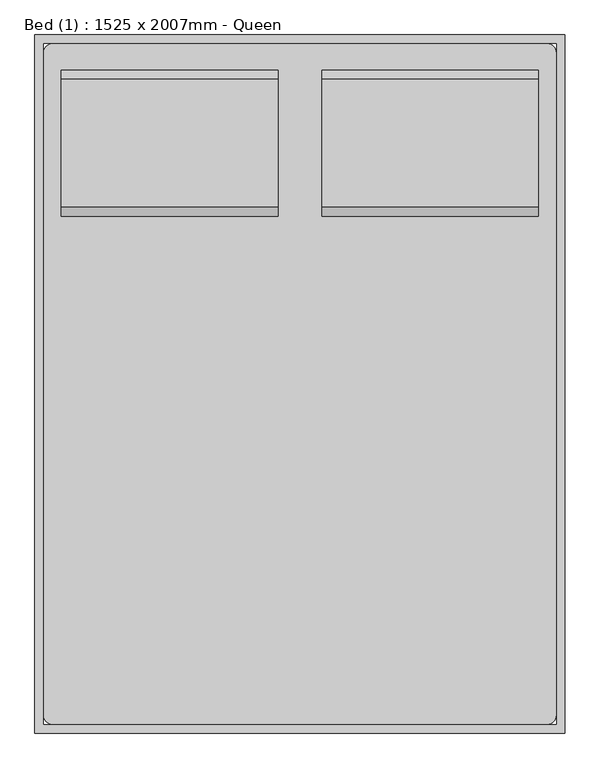
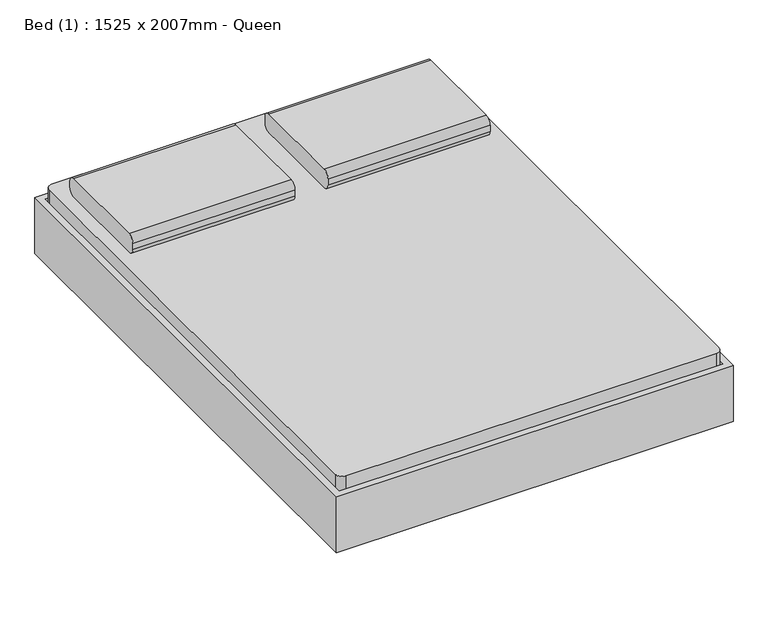
"""IFC4 building model written with IfcOpenShell, lengths in millimetres: furniture geometry, Bed (1) : 1525 x 2007mm - Queen."""

from ifc_helpers import new_model, si_unit, point, frame, frame_2d, origin, place, context, project, spatial, polyline, circle_curve, trimmed, segment, composite_curve, outline, extrude, source, transform, mapped, element, save
from ifc_brep_helpers import plane_surface, cylinder_surface, revolved_surface, advanced_brep


def bed_1_1525_x_2007mm_queen_8e9cca28(model_context):
    return source(origin(), model_context, "Body", "SolidModel", [
        extrude(outline(composite_curve([segment(polyline([(642.0704918, 406.4), (273.7704918, 406.4)]), True, "CONTINUOUS"), segment(trimmed(circle_curve(frame_2d((273.7704918, 431.8)), 25.4), [point((273.7704918, 406.4))], [point((248.3704918, 431.8))], False, "CARTESIAN"), True, "CONTINUOUS"), segment(polyline([(248.3704918, 431.8), (248.3704918, 457.2)]), True, "CONTINUOUS"), segment(trimmed(circle_curve(frame_2d((273.7704918, 457.2)), 25.4), [point((248.3704918, 457.2))], [point((273.7704918, 482.6))], False, "CARTESIAN"), True, "CONTINUOUS"), segment(polyline([(273.7704918, 482.6), (642.0704918, 482.6)]), True, "CONTINUOUS"), segment(trimmed(circle_curve(frame_2d((642.0704918, 457.2)), 25.4), [point((642.0704918, 482.6))], [point((667.4704918, 457.2))], False, "CARTESIAN"), True, "CONTINUOUS"), segment(polyline([(667.4704918, 457.2), (667.4704918, 431.8)]), True, "CONTINUOUS"), segment(trimmed(circle_curve(frame_2d((642.0704918, 431.8)), 25.4), [point((667.4704918, 431.8))], [point((642.0704918, 406.4))], False, "CARTESIAN"), True, "CONTINUOUS")], self_intersect=False)), frame((402.652459, 0.0, 0.0), z_axis=(1.0, 0.0, 0.0), x_axis=(0.0, 1.0, 0.0)), (0.0, 0.0, 1.0), 622.8),
        extrude(outline(composite_curve([segment(polyline([(642.0704918, 406.4), (273.7704918, 406.4)]), True, "CONTINUOUS"), segment(trimmed(circle_curve(frame_2d((273.7704918, 431.8)), 25.4), [point((273.7704918, 406.4))], [point((248.3704918, 431.8))], False, "CARTESIAN"), True, "CONTINUOUS"), segment(polyline([(248.3704918, 431.8), (248.3704918, 457.2)]), True, "CONTINUOUS"), segment(trimmed(circle_curve(frame_2d((273.7704918, 457.2)), 25.4), [point((248.3704918, 457.2))], [point((273.7704918, 482.6))], False, "CARTESIAN"), True, "CONTINUOUS"), segment(polyline([(273.7704918, 482.6), (642.0704918, 482.6)]), True, "CONTINUOUS"), segment(trimmed(circle_curve(frame_2d((642.0704918, 457.2)), 25.4), [point((642.0704918, 482.6))], [point((667.4704918, 457.2))], False, "CARTESIAN"), True, "CONTINUOUS"), segment(polyline([(667.4704918, 457.2), (667.4704918, 431.8)]), True, "CONTINUOUS"), segment(trimmed(circle_curve(frame_2d((642.0704918, 431.8)), 25.4), [point((667.4704918, 431.8))], [point((642.0704918, 406.4))], False, "CARTESIAN"), True, "CONTINUOUS")], self_intersect=False)), frame((-347.147541, 0.0, 0.0), z_axis=(1.0, 0.0, 0.0), x_axis=(0.0, 1.0, 0.0)), (0.0, 0.0, 1.0), 622.8),
        advanced_brep(
        [(-397.6231784, 515.0704918, 177.8), (-397.6231784, 438.8704918, 177.8), (-397.6231784, 438.8704918, 196.85), (-397.6231784, 515.0704918, 196.85), (-346.8231784, 515.0704918, 177.8), (-346.8231784, 438.8704918, 177.8), (-334.6869899, 438.8704918, 196.85), (-334.6869899, 515.0704918, 196.85), (-270.7523099, 515.0704918, 14.6654962), (-270.7523099, 438.8704918, 14.6654962), (-253.4871466, 438.8704918, 22.716374), (-253.4871466, 515.0704918, 22.716374), (-247.7320921, 438.8704918, 0.0), (-247.7320921, 515.0704918, 0.0), (-247.7320921, 438.8704918, 19.05), (-247.7320921, 515.0704918, 19.05), (-169.1195862, 515.0704918, 0.0), (-169.1195862, 438.8704918, 0.0), (-169.1195862, 438.8704918, 19.05), (-169.1195862, 515.0704918, 19.05), (-156.4195862, 438.8704918, 3.4029547), (-156.4195862, 515.0704918, 3.4029547), (-165.9445862, 438.8704918, 19.9007387), (-165.9445862, 515.0704918, 19.9007387), (-96.322541, 515.0704918, 38.1), (-96.322541, 438.8704918, 38.1), (-101.4269731, 438.8704918, 57.15), (-101.4269731, 515.0704918, 57.15), (774.9518216, 515.0704918, 38.1), (774.9518216, 438.8704918, 38.1), (780.0562537, 438.8704918, 57.15), (780.0562537, 515.0704918, 57.15), (835.0488669, 515.0704918, 3.4029547), (835.0488669, 438.8704918, 3.4029547), (844.5738669, 438.8704918, 19.9007387), (844.5738669, 515.0704918, 19.9007387), (847.7488669, 438.8704918, 0.0), (847.7488669, 515.0704918, 0.0), (847.7488669, 438.8704918, 19.05), (847.7488669, 515.0704918, 19.05), (926.3613728, 515.0704918, 0.0), (926.3613728, 438.8704918, 0.0), (926.3613728, 438.8704918, 19.05), (926.3613728, 515.0704918, 19.05), (949.3815906, 438.8704918, 14.6654962), (949.3815906, 515.0704918, 14.6654962), (932.1164272, 438.8704918, 22.716374), (932.1164272, 515.0704918, 22.716374), (1025.452459, 515.0704918, 177.8), (1025.452459, 438.8704918, 177.8), (1013.3162705, 438.8704918, 196.85), (1013.3162705, 515.0704918, 196.85), (1076.252459, 515.0704918, 177.8), (1076.252459, 515.0704918, 196.85), (1076.252459, 438.8704918, 196.85), (1076.252459, 438.8704918, 177.8)],
        [
            (0, 1),
            (1, 2),
            (2, 3),
            (3, 0),
            (0, 4),
            (4, 5),
            (5, 1),
            (5, 6),
            (6, 2),
            (6, 7),
            (7, 3),
            (7, 4),
            (4, 8),
            (8, 9),
            (9, 5),
            (9, 10),
            (10, 6),
            (10, 11),
            (11, 7),
            (11, 8),
            (12, 9, circle_curve(frame((-247.7320921, 438.8704918, 25.4), z_axis=(0.0, 1.0, 0.0), x_axis=(-0.906307787036649, 0.0, -0.4226182617407015)), 25.4)),
            (8, 13, circle_curve(frame((-247.7320921, 515.0704918, 25.4), z_axis=(0.0, -1.0, 0.0), x_axis=(-0.906307787036649, 0.0, -0.4226182617407015)), 25.4)),
            (13, 12),
            (14, 10, circle_curve(frame((-247.7320921, 438.8704918, 25.4), z_axis=(0.0, 1.0, 0.0), x_axis=(-0.906307787036649, 0.0, -0.4226182617407015)), 6.35)),
            (12, 14),
            (15, 11, circle_curve(frame((-247.7320921, 515.0704918, 25.4), z_axis=(0.0, 1.0, 0.0), x_axis=(-0.906307787036649, 0.0, -0.4226182617407015)), 6.35)),
            (14, 15),
            (15, 13),
            (13, 16),
            (16, 17),
            (17, 12),
            (17, 18),
            (18, 14),
            (18, 19),
            (19, 15),
            (19, 16),
            (20, 17, circle_curve(frame((-169.1195862, 438.8704918, 25.4), z_axis=(0.0, 1.0, 0.0), x_axis=(0.0, 0.0, -1.0)), 25.4)),
            (16, 21, circle_curve(frame((-169.1195862, 515.0704918, 25.4), z_axis=(0.0, -1.0, 0.0), x_axis=(0.0, 0.0, -1.0)), 25.4)),
            (21, 20),
            (22, 18, circle_curve(frame((-169.1195862, 438.8704918, 25.4), z_axis=(0.0, 1.0, 0.0), x_axis=(0.0, 0.0, -1.0)), 6.35)),
            (20, 22),
            (23, 19, circle_curve(frame((-169.1195862, 515.0704918, 25.4), z_axis=(0.0, 1.0, 0.0), x_axis=(0.0, 0.0, -1.0)), 6.35)),
            (22, 23),
            (23, 21),
            (21, 24),
            (24, 25),
            (25, 20),
            (25, 26),
            (26, 22),
            (26, 27),
            (27, 23),
            (27, 24),
            (24, 28),
            (28, 29),
            (29, 25),
            (29, 30),
            (30, 26),
            (30, 31),
            (31, 27),
            (31, 28),
            (28, 32),
            (32, 33),
            (33, 29),
            (33, 34),
            (34, 30),
            (34, 35),
            (35, 31),
            (35, 32),
            (36, 33, circle_curve(frame((847.7488669, 438.8704918, 25.4), z_axis=(0.0, 1.0, 0.0), x_axis=(-0.5000000000000449, 0.0, -0.8660254037844127)), 25.4)),
            (32, 37, circle_curve(frame((847.7488669, 515.0704918, 25.4), z_axis=(0.0, -1.0, 0.0), x_axis=(-0.5000000000000449, 0.0, -0.8660254037844127)), 25.4)),
            (37, 36),
            (38, 34, circle_curve(frame((847.7488669, 438.8704918, 25.4), z_axis=(0.0, 1.0, 0.0), x_axis=(-0.5000000000000449, 0.0, -0.8660254037844127)), 6.35)),
            (36, 38),
            (39, 35, circle_curve(frame((847.7488669, 515.0704918, 25.4), z_axis=(0.0, 1.0, 0.0), x_axis=(-0.5000000000000449, 0.0, -0.8660254037844127)), 6.35)),
            (38, 39),
            (39, 37),
            (37, 40),
            (40, 41),
            (41, 36),
            (41, 42),
            (42, 38),
            (42, 43),
            (43, 39),
            (43, 40),
            (44, 41, circle_curve(frame((926.3613728, 438.8704918, 25.4), z_axis=(0.0, 1.0, 0.0), x_axis=(0.0, 0.0, -1.0)), 25.4)),
            (40, 45, circle_curve(frame((926.3613728, 515.0704918, 25.4), z_axis=(0.0, -1.0, 0.0), x_axis=(0.0, 0.0, -1.0)), 25.4)),
            (45, 44),
            (46, 42, circle_curve(frame((926.3613728, 438.8704918, 25.4), z_axis=(0.0, 1.0, 0.0), x_axis=(0.0, 0.0, -1.0)), 6.35)),
            (44, 46),
            (47, 43, circle_curve(frame((926.3613728, 515.0704918, 25.4), z_axis=(0.0, 1.0, 0.0), x_axis=(0.0, 0.0, -1.0)), 6.35)),
            (46, 47),
            (47, 45),
            (45, 48),
            (48, 49),
            (49, 44),
            (49, 50),
            (50, 46),
            (50, 51),
            (51, 47),
            (51, 48),
            (52, 53),
            (53, 54),
            (54, 55),
            (55, 52),
            (48, 52),
            (55, 49),
            (54, 50),
            (53, 51),
        ],
        [
            plane_surface(frame((-397.6231784, 769.0704918, -152.9490627), z_axis=(-1.0, 0.0, 0.0), x_axis=(0.0, 1.0, 0.0))),
            plane_surface(frame((-397.6231784, 515.0704918, 177.8), z_axis=(0.0, 0.0, -1.0), x_axis=(1.0, 0.0, 0.0))),
            plane_surface(frame((-397.6231784, 438.8704918, 177.8), z_axis=(0.0, -1.0, 0.0), x_axis=(1.0, 0.0, 0.0))),
            plane_surface(frame((-397.6231784, 438.8704918, 196.85), z_axis=(0.0, 0.0, 1.0), x_axis=(1.0, 0.0, 0.0))),
            plane_surface(frame((-397.6231784, 515.0704918, 196.85), z_axis=(0.0, 1.0, 0.0), x_axis=(1.0, 0.0, 0.0))),
            plane_surface(frame((-346.8231784, 515.0704918, 177.8), z_axis=(-0.9063077870366485, 0.0, -0.4226182617407029), x_axis=(0.4226182617407029, 0.0, -0.9063077870366485))),
            plane_surface(frame((-346.8231784, 438.8704918, 177.8), z_axis=(0.0, -1.0, 0.0), x_axis=(0.42261826174070266, 0.0, -0.9063077870366485))),
            plane_surface(frame((-334.6869899, 438.8704918, 196.85), z_axis=(0.9063077870366486, 0.0, 0.4226182617407026), x_axis=(0.4226182617407026, 0.0, -0.9063077870366486))),
            plane_surface(frame((-334.6869899, 515.0704918, 196.85), z_axis=(0.0, 1.0, 0.0), x_axis=(0.42261826174070266, 0.0, -0.9063077870366485))),
            cylinder_surface(frame((-247.7320921, 769.0704918, 25.4), z_axis=(0.0, -1.0, 0.0), x_axis=(-0.906307787036649, 0.0, -0.4226182617407015)), 25.4),
            plane_surface(frame((-247.7320921, 438.8704918, 25.4), z_axis=(0.0, -1.0, 0.0), x_axis=(-0.906307787036649, 0.0, -0.4226182617407015))),
            revolved_surface(polyline([(-253.4871465476827, 438.8704918, 22.716374037946544), (-253.4871465476827, 515.0704918, 22.716374037946544)]), (-247.7320921, 769.0704918, 25.4), (0.0, -1.0, 0.0)),
            plane_surface(frame((-247.7320921, 515.0704918, 25.4), z_axis=(0.0, 1.0, 0.0), x_axis=(-0.906307787036649, 0.0, -0.4226182617407015))),
            plane_surface(frame((-247.7320921, 515.0704918, 0.0), z_axis=(0.0, 0.0, -1.0), x_axis=(1.0, 0.0, 0.0))),
            plane_surface(frame((-247.7320921, 438.8704918, 0.0), z_axis=(0.0, -1.0, 0.0), x_axis=(1.0, 0.0, 0.0))),
            plane_surface(frame((-247.7320921, 438.8704918, 19.05), z_axis=(0.0, 0.0, 1.0), x_axis=(1.0, 0.0, 0.0))),
            plane_surface(frame((-247.7320921, 515.0704918, 19.05), z_axis=(0.0, 1.0, 0.0), x_axis=(1.0, 0.0, 0.0))),
            cylinder_surface(frame((-169.1195862, 769.0704918, 25.4), z_axis=(0.0, -1.0, 0.0), x_axis=(0.0, 0.0, -1.0)), 25.4),
            plane_surface(frame((-169.1195862, 438.8704918, 25.4), z_axis=(0.0, -1.0, 0.0), x_axis=(0.0, 0.0, -1.0))),
            revolved_surface(polyline([(-169.1195862, 438.8704918, 19.049999999999997), (-169.1195862, 515.0704918, 19.049999999999997)]), (-169.1195862, 769.0704918, 25.4), (0.0, -1.0, 0.0)),
            plane_surface(frame((-169.1195862, 515.0704918, 25.4), z_axis=(0.0, 1.0, 0.0), x_axis=(0.0, 0.0, -1.0))),
            plane_surface(frame((-156.4195862, 515.0704918, 3.4029547), z_axis=(0.49999999999987815, 0.0, -0.866025403784509), x_axis=(0.866025403784509, 0.0, 0.49999999999987815))),
            plane_surface(frame((-156.4195862, 438.8704918, 3.4029547), z_axis=(0.0, -1.0, 0.0), x_axis=(0.8660254037845089, 0.0, 0.49999999999987843))),
            plane_surface(frame((-165.9445862, 438.8704918, 19.9007387), z_axis=(-0.49999999999987776, 0.0, 0.8660254037845092), x_axis=(0.8660254037845092, 0.0, 0.49999999999987776))),
            plane_surface(frame((-165.9445862, 515.0704918, 19.9007387), z_axis=(0.0, 1.0, 0.0), x_axis=(0.8660254037845091, 0.0, 0.4999999999998781))),
            plane_surface(frame((-96.322541, 515.0704918, 38.1), z_axis=(0.0, 0.0, -1.0), x_axis=(1.0, 0.0, 0.0))),
            plane_surface(frame((-96.322541, 438.8704918, 38.1), z_axis=(0.0, -1.0, 0.0), x_axis=(1.0, 0.0, 0.0))),
            plane_surface(frame((-101.4269731, 438.8704918, 57.15), z_axis=(0.0, 0.0, 1.0), x_axis=(1.0, 0.0, 0.0))),
            plane_surface(frame((-101.4269731, 515.0704918, 57.15), z_axis=(0.0, 1.0, 0.0), x_axis=(1.0, 0.0, 0.0))),
            plane_surface(frame((774.9518216, 515.0704918, 38.1), z_axis=(-0.5000000000000465, 0.0, -0.8660254037844118), x_axis=(0.8660254037844118, 0.0, -0.5000000000000465))),
            plane_surface(frame((774.9518216, 438.8704918, 38.1), z_axis=(0.0, -1.0, 0.0), x_axis=(0.8660254037844123, 0.0, -0.5000000000000456))),
            plane_surface(frame((780.0562537, 438.8704918, 57.15), z_axis=(0.500000000000046, 0.0, 0.8660254037844122), x_axis=(0.8660254037844122, 0.0, -0.500000000000046))),
            plane_surface(frame((780.0562537, 515.0704918, 57.15), z_axis=(0.0, 1.0, 0.0), x_axis=(0.8660254037844127, 0.0, -0.500000000000045))),
            cylinder_surface(frame((847.7488669, 769.0704918, 25.4), z_axis=(0.0, -1.0, 0.0), x_axis=(-0.5000000000000449, 0.0, -0.8660254037844127)), 25.4),
            plane_surface(frame((847.7488669, 438.8704918, 25.4), z_axis=(0.0, -1.0, 0.0), x_axis=(-0.5000000000000449, 0.0, -0.8660254037844127))),
            revolved_surface(polyline([(844.5738668999998, 438.8704918, 19.900738685968978), (844.5738668999998, 515.0704918, 19.900738685968978)]), (847.7488669, 769.0704918, 25.4), (0.0, -1.0, 0.0)),
            plane_surface(frame((847.7488669, 515.0704918, 25.4), z_axis=(0.0, 1.0, 0.0), x_axis=(-0.5000000000000449, 0.0, -0.8660254037844127))),
            plane_surface(frame((847.7488669, 515.0704918, 0.0), z_axis=(0.0, 0.0, -1.0), x_axis=(1.0, 0.0, 0.0))),
            plane_surface(frame((847.7488669, 438.8704918, 0.0), z_axis=(0.0, -1.0, 0.0), x_axis=(1.0, 0.0, 0.0))),
            plane_surface(frame((847.7488669, 438.8704918, 19.05), z_axis=(0.0, 0.0, 1.0), x_axis=(1.0, 0.0, 0.0))),
            plane_surface(frame((847.7488669, 515.0704918, 19.05), z_axis=(0.0, 1.0, 0.0), x_axis=(1.0, 0.0, 0.0))),
            cylinder_surface(frame((926.3613728, 769.0704918, 25.4), z_axis=(0.0, -1.0, 0.0), x_axis=(0.0, 0.0, -1.0)), 25.4),
            plane_surface(frame((926.3613728, 438.8704918, 25.4), z_axis=(0.0, -1.0, 0.0), x_axis=(0.0, 0.0, -1.0))),
            revolved_surface(polyline([(926.3613728, 438.8704918, 19.049999999999997), (926.3613728, 515.0704918, 19.049999999999997)]), (926.3613728, 769.0704918, 25.4), (0.0, -1.0, 0.0)),
            plane_surface(frame((926.3613728, 515.0704918, 25.4), z_axis=(0.0, 1.0, 0.0), x_axis=(0.0, 0.0, -1.0))),
            plane_surface(frame((949.3815906, 515.0704918, 14.6654962), z_axis=(0.9063077870366809, 0.0, -0.4226182617406331), x_axis=(0.4226182617406331, 0.0, 0.9063077870366809))),
            plane_surface(frame((949.3815906, 438.8704918, 14.6654962), z_axis=(0.0, -1.0000000000000002, 0.0), x_axis=(0.42261826174063377, 0.0, 0.9063077870366807))),
            plane_surface(frame((932.1164272, 438.8704918, 22.716374), z_axis=(-0.9063077870366809, 0.0, 0.42261826174063327), x_axis=(0.42261826174063327, 0.0, 0.9063077870366809))),
            plane_surface(frame((932.1164272, 515.0704918, 22.716374), z_axis=(0.0, 1.0, 0.0), x_axis=(0.4226182617406339, 0.0, 0.9063077870366806))),
            plane_surface(frame((1076.252459, 769.0704918, -152.9490627), z_axis=(1.0, 0.0, 0.0), x_axis=(0.0, 1.0, 0.0))),
            plane_surface(frame((1025.452459, 515.0704918, 177.8), z_axis=(0.0, 0.0, -1.0), x_axis=(1.0, 0.0, 0.0))),
            plane_surface(frame((1025.452459, 438.8704918, 177.8), z_axis=(0.0, -1.0, 0.0), x_axis=(1.0, 0.0, 0.0))),
            plane_surface(frame((1013.3162705, 438.8704918, 196.85), z_axis=(0.0, 0.0, 1.0), x_axis=(1.0, 0.0, 0.0))),
            plane_surface(frame((1013.3162705, 515.0704918, 196.85), z_axis=(0.0, 1.0, 0.0), x_axis=(1.0, 0.0, 0.0))),
        ],
        [
            (0, [[1, 2, 3, 4]]),
            (1, [[-1, 5, 6, 7]]),
            (2, [[-2, -7, 8, 9]]),
            (3, [[-3, -9, 10, 11]]),
            (4, [[-4, -11, 12, -5]]),
            (5, [[-6, 13, 14, 15]]),
            (6, [[-8, -15, 16, 17]]),
            (7, [[-10, -17, 18, 19]]),
            (8, [[-12, -19, 20, -13]]),
            (9, [[21, -14, 22, 23]]),
            (10, [[24, -16, -21, 25]]),
            (11, [[26, -18, -24, 27]]),
            (12, [[-22, -20, -26, 28]]),
            (13, [[-23, 29, 30, 31]]),
            (14, [[-25, -31, 32, 33]]),
            (15, [[-27, -33, 34, 35]]),
            (16, [[-28, -35, 36, -29]]),
            (17, [[37, -30, 38, 39]]),
            (18, [[40, -32, -37, 41]]),
            (19, [[42, -34, -40, 43]]),
            (20, [[-38, -36, -42, 44]]),
            (21, [[-39, 45, 46, 47]]),
            (22, [[-41, -47, 48, 49]]),
            (23, [[-43, -49, 50, 51]]),
            (24, [[-44, -51, 52, -45]]),
            (25, [[-46, 53, 54, 55]]),
            (26, [[-48, -55, 56, 57]]),
            (27, [[-50, -57, 58, 59]]),
            (28, [[-52, -59, 60, -53]]),
            (29, [[-54, 61, 62, 63]]),
            (30, [[-56, -63, 64, 65]]),
            (31, [[-58, -65, 66, 67]]),
            (32, [[-60, -67, 68, -61]]),
            (33, [[69, -62, 70, 71]]),
            (34, [[72, -64, -69, 73]]),
            (35, [[74, -66, -72, 75]]),
            (36, [[-70, -68, -74, 76]]),
            (37, [[-71, 77, 78, 79]]),
            (38, [[-73, -79, 80, 81]]),
            (39, [[-75, -81, 82, 83]]),
            (40, [[-76, -83, 84, -77]]),
            (41, [[85, -78, 86, 87]]),
            (42, [[88, -80, -85, 89]]),
            (43, [[90, -82, -88, 91]]),
            (44, [[-86, -84, -90, 92]]),
            (45, [[-87, 93, 94, 95]]),
            (46, [[-89, -95, 96, 97]]),
            (47, [[-91, -97, 98, 99]]),
            (48, [[-92, -99, 100, -93]]),
            (49, [[101, 102, 103, 104]]),
            (50, [[-94, 105, -104, 106]]),
            (51, [[-96, -106, -103, 107]]),
            (52, [[-98, -107, -102, 108]]),
            (53, [[-100, -108, -101, -105]]),
        ],
    ),
        extrude(outline(composite_curve([segment(polyline([(-372.547541, 743.6704918), (1050.852459, 743.6704918)]), True, "CONTINUOUS"), segment(trimmed(circle_curve(frame_2d((1050.852459, 718.2704918)), 25.4), [point((1050.852459, 743.6704918))], [point((1076.252459, 718.2704918))], False, "CARTESIAN"), True, "CONTINUOUS"), segment(polyline([(1076.252459, 718.2704918), (1076.252459, -1187.1295082)]), True, "CONTINUOUS"), segment(trimmed(circle_curve(frame_2d((1050.852459, -1187.1295082)), 25.4), [point((1076.252459, -1187.1295082))], [point((1050.852459, -1212.5295082))], False, "CARTESIAN"), True, "CONTINUOUS"), segment(polyline([(1050.852459, -1212.5295082), (-372.547541, -1212.5295082)]), True, "CONTINUOUS"), segment(trimmed(circle_curve(frame_2d((-372.547541, -1187.1295082)), 25.4), [point((-372.547541, -1212.5295082))], [point((-397.947541, -1187.1295082))], False, "CARTESIAN"), True, "CONTINUOUS"), segment(polyline([(-397.947541, -1187.1295082), (-397.947541, 718.2704918)]), True, "CONTINUOUS"), segment(trimmed(circle_curve(frame_2d((-372.547541, 718.2704918)), 25.4), [point((-397.947541, 718.2704918))], [point((-372.547541, 743.6704918))], False, "CARTESIAN"), True, "CONTINUOUS")], self_intersect=False)), frame((0.0, 0.0, 203.2), z_axis=(0.0, 0.0, 1.0), x_axis=(1.0, 0.0, 0.0)), (0.0, 0.0, 1.0), 203.2),
        advanced_brep(
        [(-397.947541, -933.1295082, 196.85), (-397.947541, -933.1295082, 177.8), (-397.947541, -1009.3295082, 177.8), (-397.947541, -1009.3295082, 196.85), (-335.0113525, -933.1295082, 196.85), (-347.147541, -933.1295082, 177.8), (-347.147541, -1009.3295082, 177.8), (-335.0113525, -1009.3295082, 196.85), (-253.8115092, -933.1295082, 22.716374), (-271.0766725, -933.1295082, 14.6654962), (-271.0766725, -1009.3295082, 14.6654962), (-253.8115092, -1009.3295082, 22.716374), (-248.0564547, -933.1295082, 0.0), (-248.0564547, -933.1295082, 19.05), (-248.0564547, -1009.3295082, 0.0), (-248.0564547, -1009.3295082, 19.05), (-169.4439489, -933.1295082, 19.05), (-169.4439489, -933.1295082, 0.0), (-169.4439489, -1009.3295082, 0.0), (-169.4439489, -1009.3295082, 19.05), (-156.7439489, -933.1295082, 3.4029547), (-166.2689489, -933.1295082, 19.9007387), (-156.7439489, -1009.3295082, 3.4029547), (-166.2689489, -1009.3295082, 19.9007387), (-101.7513357, -933.1295082, 57.15), (-96.6469036, -933.1295082, 38.1), (-96.6469036, -1009.3295082, 38.1), (-101.7513357, -1009.3295082, 57.15), (780.0562537, -933.1295082, 57.15), (774.9518216, -933.1295082, 38.1), (774.9518216, -1009.3295082, 38.1), (780.0562537, -1009.3295082, 57.15), (844.5738669, -933.1295082, 19.9007387), (835.0488669, -933.1295082, 3.4029547), (835.0488669, -1009.3295082, 3.4029547), (844.5738669, -1009.3295082, 19.9007387), (847.7488669, -933.1295082, 0.0), (847.7488669, -933.1295082, 19.05), (847.7488669, -1009.3295082, 0.0), (847.7488669, -1009.3295082, 19.05), (926.3613728, -933.1295082, 19.05), (926.3613728, -933.1295082, 0.0), (926.3613728, -1009.3295082, 0.0), (926.3613728, -1009.3295082, 19.05), (949.3815906, -933.1295082, 14.6654962), (932.1164272, -933.1295082, 22.716374), (949.3815906, -1009.3295082, 14.6654962), (932.1164272, -1009.3295082, 22.716374), (1013.3162705, -933.1295082, 196.85), (1025.452459, -933.1295082, 177.8), (1025.452459, -1009.3295082, 177.8), (1013.3162705, -1009.3295082, 196.85), (1076.252459, -933.1295082, 196.85), (1076.252459, -1009.3295082, 196.85), (1076.252459, -1009.3295082, 177.8), (1076.252459, -933.1295082, 177.8)],
        [
            (0, 1),
            (1, 2),
            (2, 3),
            (3, 0),
            (0, 4),
            (4, 5),
            (5, 1),
            (5, 6),
            (6, 2),
            (6, 7),
            (7, 3),
            (7, 4),
            (4, 8),
            (8, 9),
            (9, 5),
            (9, 10),
            (10, 6),
            (10, 11),
            (11, 7),
            (11, 8),
            (12, 9, circle_curve(frame((-248.0564547, -933.1295082, 25.4), z_axis=(0.0, 1.0, 0.0), x_axis=(-0.906307787036664, 0.0, -0.4226182617406693)), 25.4)),
            (8, 13, circle_curve(frame((-248.0564547, -933.1295082, 25.4), z_axis=(0.0, -1.0, 0.0), x_axis=(-0.906307787036664, 0.0, -0.4226182617406693)), 6.35)),
            (13, 12),
            (14, 10, circle_curve(frame((-248.0564547, -1009.3295082, 25.4), z_axis=(0.0, 1.0, 0.0), x_axis=(-0.906307787036664, 0.0, -0.4226182617406693)), 25.4)),
            (12, 14),
            (15, 11, circle_curve(frame((-248.0564547, -1009.3295082, 25.4), z_axis=(0.0, 1.0, 0.0), x_axis=(-0.906307787036664, 0.0, -0.4226182617406693)), 6.35)),
            (14, 15),
            (15, 13),
            (13, 16),
            (16, 17),
            (17, 12),
            (17, 18),
            (18, 14),
            (18, 19),
            (19, 15),
            (19, 16),
            (20, 17, circle_curve(frame((-169.4439489, -933.1295082, 25.4), z_axis=(0.0, 1.0, 0.0), x_axis=(0.0, 0.0, -1.0)), 25.4)),
            (16, 21, circle_curve(frame((-169.4439489, -933.1295082, 25.4), z_axis=(0.0, -1.0, 0.0), x_axis=(0.0, 0.0, -1.0)), 6.35)),
            (21, 20),
            (22, 18, circle_curve(frame((-169.4439489, -1009.3295082, 25.4), z_axis=(0.0, 1.0, 0.0), x_axis=(0.0, 0.0, -1.0)), 25.4)),
            (20, 22),
            (23, 19, circle_curve(frame((-169.4439489, -1009.3295082, 25.4), z_axis=(0.0, 1.0, 0.0), x_axis=(0.0, 0.0, -1.0)), 6.35)),
            (22, 23),
            (23, 21),
            (21, 24),
            (24, 25),
            (25, 20),
            (25, 26),
            (26, 22),
            (26, 27),
            (27, 23),
            (27, 24),
            (24, 28),
            (28, 29),
            (29, 25),
            (29, 30),
            (30, 26),
            (30, 31),
            (31, 27),
            (31, 28),
            (28, 32),
            (32, 33),
            (33, 29),
            (33, 34),
            (34, 30),
            (34, 35),
            (35, 31),
            (35, 32),
            (36, 33, circle_curve(frame((847.7488669, -933.1295082, 25.4), z_axis=(0.0, 1.0, 0.0), x_axis=(-0.5000000000000533, 0.0, -0.8660254037844078)), 25.4)),
            (32, 37, circle_curve(frame((847.7488669, -933.1295082, 25.4), z_axis=(0.0, -1.0, 0.0), x_axis=(-0.5000000000000533, 0.0, -0.8660254037844078)), 6.35)),
            (37, 36),
            (38, 34, circle_curve(frame((847.7488669, -1009.3295082, 25.4), z_axis=(0.0, 1.0, 0.0), x_axis=(-0.5000000000000533, 0.0, -0.8660254037844078)), 25.4)),
            (36, 38),
            (39, 35, circle_curve(frame((847.7488669, -1009.3295082, 25.4), z_axis=(0.0, 1.0, 0.0), x_axis=(-0.5000000000000533, 0.0, -0.8660254037844078)), 6.35)),
            (38, 39),
            (39, 37),
            (37, 40),
            (40, 41),
            (41, 36),
            (41, 42),
            (42, 38),
            (42, 43),
            (43, 39),
            (43, 40),
            (44, 41, circle_curve(frame((926.3613728, -933.1295082, 25.4), z_axis=(0.0, 1.0, 0.0), x_axis=(0.0, 0.0, -1.0)), 25.4)),
            (40, 45, circle_curve(frame((926.3613728, -933.1295082, 25.4), z_axis=(0.0, -1.0, 0.0), x_axis=(0.0, 0.0, -1.0)), 6.35)),
            (45, 44),
            (46, 42, circle_curve(frame((926.3613728, -1009.3295082, 25.4), z_axis=(0.0, 1.0, 0.0), x_axis=(0.0, 0.0, -1.0)), 25.4)),
            (44, 46),
            (47, 43, circle_curve(frame((926.3613728, -1009.3295082, 25.4), z_axis=(0.0, 1.0, 0.0), x_axis=(0.0, 0.0, -1.0)), 6.35)),
            (46, 47),
            (47, 45),
            (45, 48),
            (48, 49),
            (49, 44),
            (49, 50),
            (50, 46),
            (50, 51),
            (51, 47),
            (51, 48),
            (52, 53),
            (53, 54),
            (54, 55),
            (55, 52),
            (48, 52),
            (55, 49),
            (54, 50),
            (53, 51),
        ],
        [
            plane_surface(frame((-397.947541, -1237.9295082, -127.5947323), z_axis=(-1.0, 0.0, 0.0), x_axis=(0.0, 1.0, 0.0))),
            plane_surface(frame((-397.947541, -933.1295082, 196.85), z_axis=(0.0, 1.0, 0.0), x_axis=(1.0, 0.0, 0.0))),
            plane_surface(frame((-397.947541, -933.1295082, 177.8), z_axis=(0.0, 0.0, -1.0), x_axis=(1.0, 0.0, 0.0))),
            plane_surface(frame((-397.947541, -1009.3295082, 177.8), z_axis=(0.0, -1.0, 0.0), x_axis=(1.0, 0.0, 0.0))),
            plane_surface(frame((-397.947541, -1009.3295082, 196.85), z_axis=(0.0, 0.0, 1.0), x_axis=(1.0, 0.0, 0.0))),
            plane_surface(frame((-335.0113525, -933.1295082, 196.85), z_axis=(0.0, 1.0, 0.0), x_axis=(0.42261826174067163, 0.0, -0.9063077870366629))),
            plane_surface(frame((-347.147541, -933.1295082, 177.8), z_axis=(-0.906307787036663, 0.0, -0.4226182617406716), x_axis=(0.4226182617406716, 0.0, -0.906307787036663))),
            plane_surface(frame((-347.147541, -1009.3295082, 177.8), z_axis=(0.0, -1.0000000000000002, 0.0), x_axis=(0.4226182617406714, 0.0, -0.9063077870366631))),
            plane_surface(frame((-335.0113525, -1009.3295082, 196.85), z_axis=(0.906307787036663, 0.0, 0.4226182617406716), x_axis=(0.4226182617406716, 0.0, -0.906307787036663))),
            plane_surface(frame((-248.0564547, -933.1295082, 25.4), z_axis=(0.0, 1.0, 0.0), x_axis=(-0.906307787036664, 0.0, -0.4226182617406693))),
            cylinder_surface(frame((-248.0564547, -1237.9295082, 25.4), z_axis=(0.0, -1.0, 0.0), x_axis=(-0.906307787036664, 0.0, -0.4226182617406693)), 25.4),
            plane_surface(frame((-248.0564547, -1009.3295082, 25.4), z_axis=(0.0, -1.0, 0.0), x_axis=(-0.906307787036664, 0.0, -0.4226182617406693))),
            revolved_surface(polyline([(-253.8115091476828, -1009.3295082, 22.71637403794675), (-253.8115091476828, -933.1295082, 22.71637403794675)]), (-248.0564547, -1237.9295082, 25.4), (0.0, -1.0, 0.0)),
            plane_surface(frame((-248.0564547, -933.1295082, 19.05), z_axis=(0.0, 1.0, 0.0), x_axis=(1.0, 0.0, 0.0))),
            plane_surface(frame((-248.0564547, -933.1295082, 0.0), z_axis=(0.0, 0.0, -1.0), x_axis=(1.0, 0.0, 0.0))),
            plane_surface(frame((-248.0564547, -1009.3295082, 0.0), z_axis=(0.0, -1.0, 0.0), x_axis=(1.0, 0.0, 0.0))),
            plane_surface(frame((-248.0564547, -1009.3295082, 19.05), z_axis=(0.0, 0.0, 1.0), x_axis=(1.0, 0.0, 0.0))),
            plane_surface(frame((-169.4439489, -933.1295082, 25.4), z_axis=(0.0, 1.0, 0.0), x_axis=(0.0, 0.0, -1.0))),
            cylinder_surface(frame((-169.4439489, -1237.9295082, 25.4), z_axis=(0.0, -1.0, 0.0), x_axis=(0.0, 0.0, -1.0)), 25.4),
            plane_surface(frame((-169.4439489, -1009.3295082, 25.4), z_axis=(0.0, -1.0, 0.0), x_axis=(0.0, 0.0, -1.0))),
            revolved_surface(polyline([(-169.4439489, -1009.3295082, 19.049999999999997), (-169.4439489, -933.1295082, 19.049999999999997)]), (-169.4439489, -1237.9295082, 25.4), (0.0, -1.0, 0.0)),
            plane_surface(frame((-166.2689489, -933.1295082, 19.9007387), z_axis=(0.0, 1.0, 0.0), x_axis=(0.8660254037844783, 0.0, 0.4999999999999313))),
            plane_surface(frame((-156.7439489, -933.1295082, 3.4029547), z_axis=(0.499999999999931, 0.0, -0.8660254037844785), x_axis=(0.8660254037844785, 0.0, 0.499999999999931))),
            plane_surface(frame((-156.7439489, -1009.3295082, 3.4029547), z_axis=(0.0, -1.0, 0.0), x_axis=(0.8660254037844787, 0.0, 0.49999999999993067))),
            plane_surface(frame((-166.2689489, -1009.3295082, 19.9007387), z_axis=(-0.4999999999999307, 0.0, 0.8660254037844787), x_axis=(0.8660254037844787, 0.0, 0.4999999999999307))),
            plane_surface(frame((-101.7513357, -933.1295082, 57.15), z_axis=(0.0, 1.0, 0.0), x_axis=(1.0, 0.0, 0.0))),
            plane_surface(frame((-96.6469036, -933.1295082, 38.1), z_axis=(0.0, 0.0, -1.0), x_axis=(1.0, 0.0, 0.0))),
            plane_surface(frame((-96.6469036, -1009.3295082, 38.1), z_axis=(0.0, -1.0, 0.0), x_axis=(1.0, 0.0, 0.0))),
            plane_surface(frame((-101.7513357, -1009.3295082, 57.15), z_axis=(0.0, 0.0, 1.0), x_axis=(1.0, 0.0, 0.0))),
            plane_surface(frame((780.0562537, -933.1295082, 57.15), z_axis=(0.0, 1.0000000000000002, 0.0), x_axis=(0.8660254037844111, 0.0, -0.500000000000048))),
            plane_surface(frame((774.9518216, -933.1295082, 38.1), z_axis=(-0.5000000000000486, 0.0, -0.8660254037844106), x_axis=(0.8660254037844106, 0.0, -0.5000000000000486))),
            plane_surface(frame((774.9518216, -1009.3295082, 38.1), z_axis=(0.0, -1.0000000000000002, 0.0), x_axis=(0.8660254037844111, 0.0, -0.500000000000048))),
            plane_surface(frame((780.0562537, -1009.3295082, 57.15), z_axis=(0.5000000000000487, 0.0, 0.8660254037844106), x_axis=(0.8660254037844106, 0.0, -0.5000000000000487))),
            plane_surface(frame((847.7488669, -933.1295082, 25.4), z_axis=(0.0, 1.0000000000000002, 0.0), x_axis=(-0.5000000000000534, 0.0, -0.866025403784408))),
            cylinder_surface(frame((847.7488669, -1237.9295082, 25.4), z_axis=(0.0, -1.0, 0.0), x_axis=(-0.5000000000000533, 0.0, -0.8660254037844078)), 25.4),
            plane_surface(frame((847.7488669, -1009.3295082, 25.4), z_axis=(0.0, -1.0000000000000002, 0.0), x_axis=(-0.5000000000000534, 0.0, -0.866025403784408))),
            revolved_surface(polyline([(844.5738668999998, -1009.3295082, 19.90073868596901), (844.5738668999998, -933.1295082, 19.90073868596901)]), (847.7488669, -1237.9295082, 25.4), (0.0, -1.0, 0.0)),
            plane_surface(frame((847.7488669, -933.1295082, 19.05), z_axis=(0.0, 1.0, 0.0), x_axis=(1.0, 0.0, 0.0))),
            plane_surface(frame((847.7488669, -933.1295082, 0.0), z_axis=(0.0, 0.0, -1.0), x_axis=(1.0, 0.0, 0.0))),
            plane_surface(frame((847.7488669, -1009.3295082, 0.0), z_axis=(0.0, -1.0, 0.0), x_axis=(1.0, 0.0, 0.0))),
            plane_surface(frame((847.7488669, -1009.3295082, 19.05), z_axis=(0.0, 0.0, 1.0), x_axis=(1.0, 0.0, 0.0))),
            plane_surface(frame((926.3613728, -933.1295082, 25.4), z_axis=(0.0, 1.0, 0.0), x_axis=(0.0, 0.0, -1.0))),
            cylinder_surface(frame((926.3613728, -1237.9295082, 25.4), z_axis=(0.0, -1.0, 0.0), x_axis=(0.0, 0.0, -1.0)), 25.4),
            plane_surface(frame((926.3613728, -1009.3295082, 25.4), z_axis=(0.0, -1.0, 0.0), x_axis=(0.0, 0.0, -1.0))),
            revolved_surface(polyline([(926.3613728, -1009.3295082, 19.049999999999997), (926.3613728, -933.1295082, 19.049999999999997)]), (926.3613728, -1237.9295082, 25.4), (0.0, -1.0, 0.0)),
            plane_surface(frame((932.1164272, -933.1295082, 22.716374), z_axis=(0.0, 1.0000000000000002, 0.0), x_axis=(0.4226182617405397, 0.0, 0.9063077870367245))),
            plane_surface(frame((949.3815906, -933.1295082, 14.6654962), z_axis=(0.9063077870367248, 0.0, -0.42261826174053907), x_axis=(0.42261826174053907, 0.0, 0.9063077870367248))),
            plane_surface(frame((949.3815906, -1009.3295082, 14.6654962), z_axis=(0.0, -1.0, 0.0), x_axis=(0.4226182617405389, 0.0, 0.9063077870367249))),
            plane_surface(frame((932.1164272, -1009.3295082, 22.716374), z_axis=(-0.9063077870367247, 0.0, 0.4226182617405395), x_axis=(0.4226182617405395, 0.0, 0.9063077870367247))),
            plane_surface(frame((1076.252459, -1237.9295082, -127.5947323), z_axis=(1.0, 0.0, 0.0), x_axis=(0.0, 1.0, 0.0))),
            plane_surface(frame((1013.3162705, -933.1295082, 196.85), z_axis=(0.0, 1.0, 0.0), x_axis=(1.0, 0.0, 0.0))),
            plane_surface(frame((1025.452459, -933.1295082, 177.8), z_axis=(0.0, 0.0, -1.0), x_axis=(1.0, 0.0, 0.0))),
            plane_surface(frame((1025.452459, -1009.3295082, 177.8), z_axis=(0.0, -1.0, 0.0), x_axis=(1.0, 0.0, 0.0))),
            plane_surface(frame((1013.3162705, -1009.3295082, 196.85), z_axis=(0.0, 0.0, 1.0), x_axis=(1.0, 0.0, 0.0))),
        ],
        [
            (0, [[1, 2, 3, 4]]),
            (1, [[-1, 5, 6, 7]]),
            (2, [[-2, -7, 8, 9]]),
            (3, [[-3, -9, 10, 11]]),
            (4, [[-4, -11, 12, -5]]),
            (5, [[-6, 13, 14, 15]]),
            (6, [[-8, -15, 16, 17]]),
            (7, [[-10, -17, 18, 19]]),
            (8, [[-12, -19, 20, -13]]),
            (9, [[21, -14, 22, 23]]),
            (10, [[24, -16, -21, 25]]),
            (11, [[26, -18, -24, 27]]),
            (12, [[-22, -20, -26, 28]]),
            (13, [[-23, 29, 30, 31]]),
            (14, [[-25, -31, 32, 33]]),
            (15, [[-27, -33, 34, 35]]),
            (16, [[-28, -35, 36, -29]]),
            (17, [[37, -30, 38, 39]]),
            (18, [[40, -32, -37, 41]]),
            (19, [[42, -34, -40, 43]]),
            (20, [[-38, -36, -42, 44]]),
            (21, [[-39, 45, 46, 47]]),
            (22, [[-41, -47, 48, 49]]),
            (23, [[-43, -49, 50, 51]]),
            (24, [[-44, -51, 52, -45]]),
            (25, [[-46, 53, 54, 55]]),
            (26, [[-48, -55, 56, 57]]),
            (27, [[-50, -57, 58, 59]]),
            (28, [[-52, -59, 60, -53]]),
            (29, [[-54, 61, 62, 63]]),
            (30, [[-56, -63, 64, 65]]),
            (31, [[-58, -65, 66, 67]]),
            (32, [[-60, -67, 68, -61]]),
            (33, [[69, -62, 70, 71]]),
            (34, [[72, -64, -69, 73]]),
            (35, [[74, -66, -72, 75]]),
            (36, [[-70, -68, -74, 76]]),
            (37, [[-71, 77, 78, 79]]),
            (38, [[-73, -79, 80, 81]]),
            (39, [[-75, -81, 82, 83]]),
            (40, [[-76, -83, 84, -77]]),
            (41, [[85, -78, 86, 87]]),
            (42, [[88, -80, -85, 89]]),
            (43, [[90, -82, -88, 91]]),
            (44, [[-86, -84, -90, 92]]),
            (45, [[-87, 93, 94, 95]]),
            (46, [[-89, -95, 96, 97]]),
            (47, [[-91, -97, 98, 99]]),
            (48, [[-92, -99, 100, -93]]),
            (49, [[101, 102, 103, 104]]),
            (50, [[-94, 105, -104, 106]]),
            (51, [[-96, -106, -103, 107]]),
            (52, [[-98, -107, -102, 108]]),
            (53, [[-100, -108, -101, -105]]),
        ],
    ),
        extrude(outline(polyline([(1101.652459, 769.0704918), (1101.652459, -1237.9295082), (-423.347541, -1237.9295082), (-423.347541, 769.0704918), (1101.652459, 769.0704918)]), holes=[polyline([(1076.252459, 743.6704918), (-397.947541, 743.6704918), (-397.947541, -1212.5295082), (1076.252459, -1212.5295082), (1076.252459, 743.6704918)])]), frame((0.0, 0.0, 127.0), z_axis=(0.0, 0.0, 1.0), x_axis=(1.0, 0.0, 0.0)), (0.0, 0.0, 1.0), 228.6),
    ])


if __name__ == "__main__":
    model = new_model("IFC4")
    model_context = context("Model", 3, world=origin())
    ifc_project = project(units=[si_unit("LENGTHUNIT", "METRE", prefix="MILLI")], contexts=[model_context])
    site = spatial("IfcSite", under=ifc_project)
    building = spatial("IfcBuilding", under=site)
    placement = place(None, origin())
    bed_1_1525_x_2007mm_queen_shape = bed_1_1525_x_2007mm_queen_8e9cca28(model_context)
    element("IfcFurniture", 1, ObjectType="Bed (1) : 1525 x 2007mm - Queen", at=placement, inside=building, context=model_context, shape_type="MappedRepresentation", body=[
        mapped(bed_1_1525_x_2007mm_queen_shape, transform((0.0, 0.0, 0.0), x_axis=(1.0, 0.0, 0.0), y_axis=(0.0, 1.0, 0.0), z_axis=(0.0, 0.0, 1.0))),
    ])
    save(model, "model.ifc")
